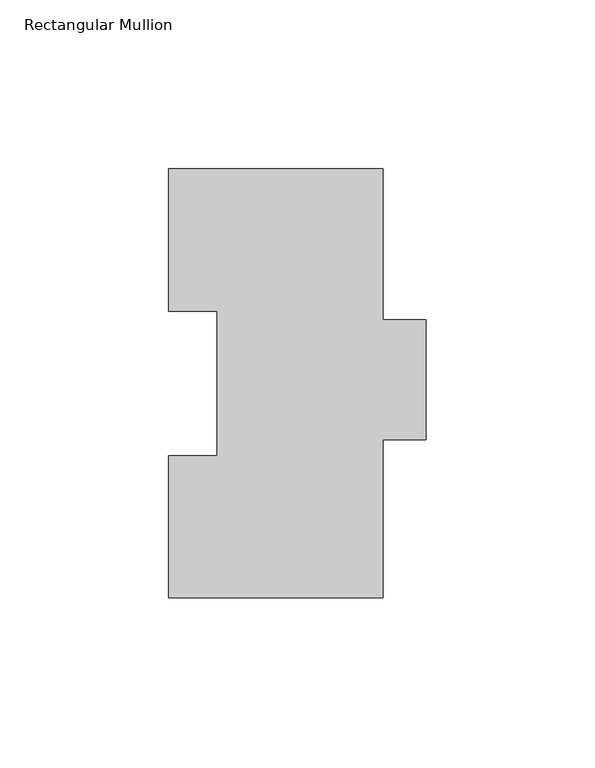
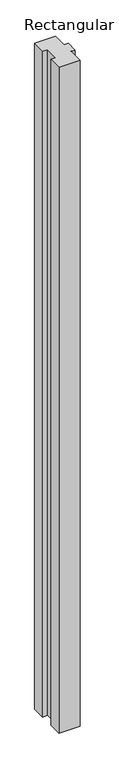
"""IFC4 building model written with IfcOpenShell, lengths in millimetres: member geometry, Rectangular Mullion."""

from ifc_helpers import new_model, si_unit, frame, origin, place, context, project, spatial, polyline, outline, extrude, source, transform, mapped, element, save


def rectangular_mullion_77e08bee(model_context):
    return source(origin(), model_context, "Body", "SweptSolid", [
        extrude(outline(polyline([(-31.7502713, 127.00635), (31.75, 127.00635), (31.75, 82.30235), (44.45, 82.30235), (44.45, 46.8376), (31.75, 46.8376), (31.75, 0.00635), (-31.7497287, 0.00635), (-31.7497287, 42.08145), (-17.4622287, 42.08145), (-17.4622287, 84.93125), (-31.7502713, 84.93125), (-31.7502713, 127.00635)])), frame((0.0, 0.0, -2133.6), z_axis=(0.0, 0.0, 1.0), x_axis=(1.0, 0.0, 0.0)), (0.0, 0.0, 1.0), 2133.6),
    ])


if __name__ == "__main__":
    model = new_model("IFC4")
    model_context = context("Model", 3, world=origin())
    ifc_project = project(units=[si_unit("LENGTHUNIT", "METRE", prefix="MILLI")], contexts=[model_context])
    site = spatial("IfcSite", under=ifc_project)
    building = spatial("IfcBuilding", under=site)
    placement = place(None, origin())
    rectangular_mullion_shape = rectangular_mullion_77e08bee(model_context)
    element("IfcMember", 1, ObjectType="Rectangular Mullion", at=placement, inside=building, context=model_context, shape_type="MappedRepresentation", body=[
        mapped(rectangular_mullion_shape, transform((0.0, 0.0, 0.0), x_axis=(1.0, 0.0, 0.0), y_axis=(0.0, 1.0, 0.0), z_axis=(0.0, 0.0, 1.0))),
    ])
    save(model, "model.ifc")
